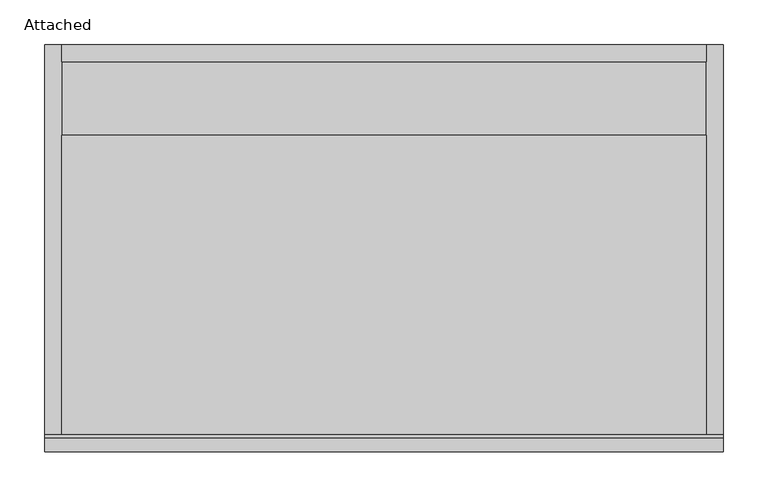
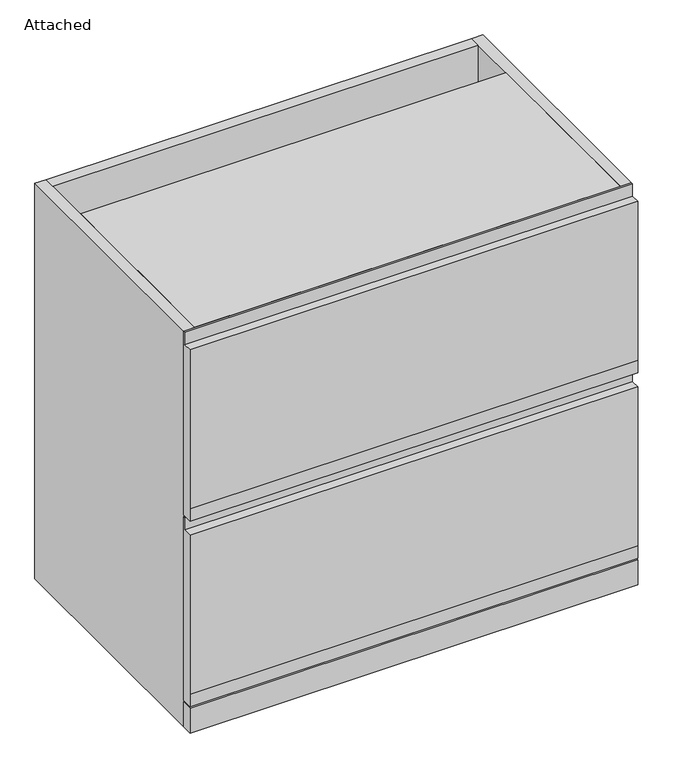
"""IFC4 building model written with IfcOpenShell, lengths in millimetres: furniture geometry, Attached."""

from ifc_helpers import new_model, si_unit, frame, origin, origin_with_axes, place, context, project, spatial, polyline, outline, extrude, source, transform, mapped, element, save


def attached_3db7d9c8(model_context):
    return source(origin(), model_context, "Body", "SweptSolid", [
        extrude(outline(polyline([(-441.325, 711.2), (-438.15, 711.2), (-438.15, 381.0), (-441.325, 381.0), (-457.2, 381.0), (-457.2, 403.225), (-457.2, 688.975), (-441.325, 688.975), (-441.325, 711.2)])), frame((-381.0, 0.0, 0.0), z_axis=(1.0, 0.0, 0.0), x_axis=(0.0, 1.0, 0.0)), (0.0, 0.0, 1.0), 762.0),
        extrude(outline(polyline([(-441.325, 377.825), (-438.15, 377.825), (-438.15, 47.625), (-441.325, 47.625), (-457.2, 47.625), (-457.2, 69.85), (-457.2, 355.6), (-441.325, 355.6), (-441.325, 377.825)])), frame((-381.0, 0.0, 0.0), z_axis=(1.0, 0.0, 0.0), x_axis=(0.0, 1.0, 0.0)), (0.0, 0.0, 1.0), 762.0),
        extrude(outline(polyline([(-361.95, 0.0), (361.95, 0.0), (361.95, -438.15), (-361.95, -438.15), (-361.95, 0.0)])), origin_with_axes(), (0.0, 0.0, 1.0), 19.05),
        extrude(outline(polyline([(-361.95, 0.0), (361.95, 0.0), (361.95, -19.05), (-361.95, -19.05), (-361.95, 0.0)])), frame((0.0, 0.0, 492.125), z_axis=(0.0, 0.0, 1.0), x_axis=(1.0, 0.0, 0.0)), (0.0, 0.0, 1.0), 219.075),
        extrude(outline(polyline([(-361.95, -101.6), (361.95, -101.6), (361.95, -438.15), (-361.95, -438.15), (-361.95, -101.6)])), frame((0.0, 0.0, 693.7375), z_axis=(0.0, 0.0, 1.0), x_axis=(1.0, 0.0, 0.0)), (0.0, 0.0, 1.0), 17.4625),
        extrude(outline(polyline([(381.0, 0.0), (381.0, -438.15), (361.95, -438.15), (361.95, 0.0), (381.0, 0.0)])), origin_with_axes(), (0.0, 0.0, 1.0), 711.2),
        extrude(outline(polyline([(381.0, -438.15), (381.0, -457.2), (-381.0, -457.2), (-381.0, -438.15), (381.0, -438.15)])), origin_with_axes(), (0.0, 0.0, 1.0), 44.45),
        extrude(outline(polyline([(-361.95, 0.0), (-361.95, -438.15), (-381.0, -438.15), (-381.0, 0.0), (-361.95, 0.0)])), origin_with_axes(), (0.0, 0.0, 1.0), 711.2),
    ])


if __name__ == "__main__":
    model = new_model("IFC4")
    model_context = context("Model", 3, world=origin())
    ifc_project = project(units=[si_unit("LENGTHUNIT", "METRE", prefix="MILLI")], contexts=[model_context])
    site = spatial("IfcSite", under=ifc_project)
    building = spatial("IfcBuilding", under=site)
    placement = place(None, origin())
    attached_shape = attached_3db7d9c8(model_context)
    element("IfcFurniture", 1, ObjectType="Attached", at=placement, inside=building, context=model_context, shape_type="MappedRepresentation", body=[
        mapped(attached_shape, transform((0.0, 0.0, 0.0), x_axis=(1.0, 0.0, 0.0), y_axis=(0.0, 1.0, 0.0), z_axis=(0.0, 0.0, 1.0))),
    ])
    save(model, "model.ifc")
